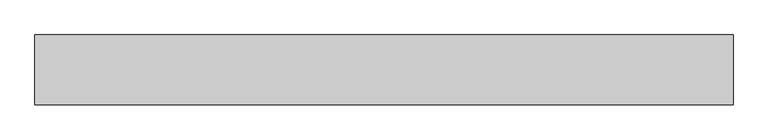
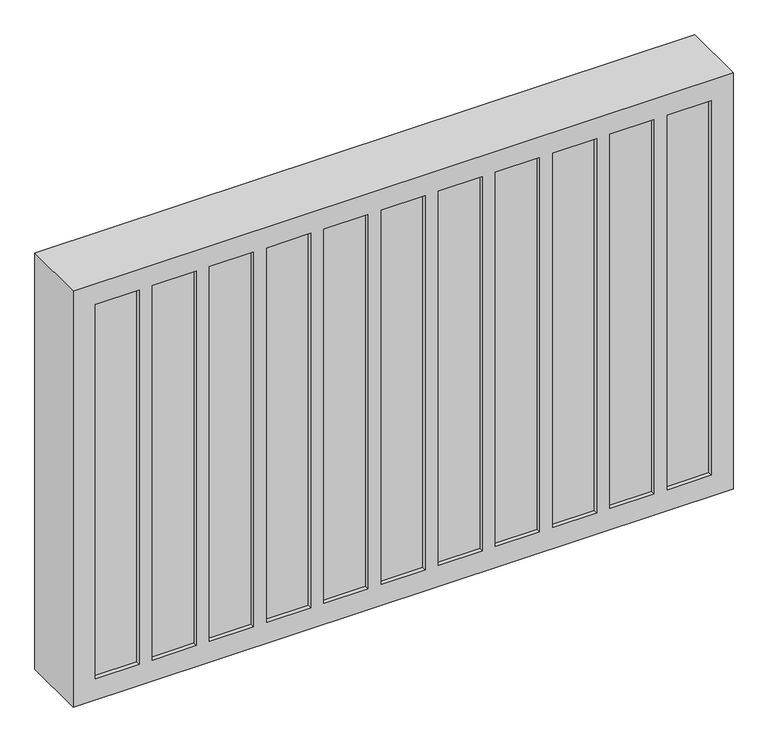
"""IFC4 building model written with IfcOpenShell, lengths in millimetres: proxy geometry."""

from ifc_helpers import new_model, si_unit, origin, place, context, project, spatial, faceted_brep, source, transform, mapped, element, save


def generic_models_2a3f6894(model_context):
    return source(origin(), model_context, "Body", "Brep", [
        faceted_brep([(-1500.0, 0.0, 1000.0), (0.0, 0.0, 1000.0), (0.0, 150.0, 1000.0), (-1500.0, 150.0, 1000.0), (0.0, 0.0, 0.0), (-1500.0, 0.0, 0.0), (-1500.0, 150.0, 0.0), (0.0, 150.0, 0.0), (-1350.0, 0.0, 50.0), (-1450.0, 0.0, 50.0), (-1450.0, 0.0, 950.0), (-1350.0, 0.0, 950.0), (-180.0, 0.0, 50.0), (-280.0, 0.0, 50.0), (-280.0, 0.0, 950.0), (-180.0, 0.0, 950.0), (-310.0, 0.0, 50.0), (-410.0, 0.0, 50.0), (-410.0, 0.0, 950.0), (-310.0, 0.0, 950.0), (-440.0, 0.0, 50.0), (-540.0, 0.0, 50.0), (-540.0, 0.0, 950.0), (-440.0, 0.0, 950.0), (-570.0, 0.0, 50.0), (-670.0, 0.0, 50.0), (-670.0, 0.0, 950.0), (-570.0, 0.0, 950.0), (-700.0, 0.0, 50.0), (-800.0, 0.0, 50.0), (-800.0, 0.0, 950.0), (-700.0, 0.0, 950.0), (-830.0, 0.0, 50.0), (-930.0, 0.0, 50.0), (-930.0, 0.0, 950.0), (-830.0, 0.0, 950.0), (-960.0, 0.0, 50.0), (-1060.0, 0.0, 50.0), (-1060.0, 0.0, 950.0), (-960.0, 0.0, 950.0), (-1090.0, 0.0, 50.0), (-1190.0, 0.0, 50.0), (-1190.0, 0.0, 950.0), (-1090.0, 0.0, 950.0), (-1220.0, 0.0, 50.0), (-1320.0, 0.0, 50.0), (-1320.0, 0.0, 950.0), (-1220.0, 0.0, 950.0), (-50.0, 0.0, 50.0), (-150.0, 0.0, 50.0), (-150.0, 0.0, 950.0), (-50.0, 0.0, 950.0), (-1450.0, 10.0, 50.0), (-1350.0, 10.0, 50.0), (-1350.0, 10.0, 950.0), (-1450.0, 10.0, 950.0), (-280.0, 10.0, 50.0), (-180.0, 10.0, 50.0), (-180.0, 10.0, 950.0), (-280.0, 10.0, 950.0), (-410.0, 10.0, 50.0), (-310.0, 10.0, 50.0), (-310.0, 10.0, 950.0), (-410.0, 10.0, 950.0), (-540.0, 10.0, 50.0), (-440.0, 10.0, 50.0), (-440.0, 10.0, 950.0), (-540.0, 10.0, 950.0), (-670.0, 10.0, 50.0), (-570.0, 10.0, 50.0), (-570.0, 10.0, 950.0), (-670.0, 10.0, 950.0), (-800.0, 10.0, 50.0), (-700.0, 10.0, 50.0), (-700.0, 10.0, 950.0), (-800.0, 10.0, 950.0), (-930.0, 10.0, 50.0), (-830.0, 10.0, 50.0), (-830.0, 10.0, 950.0), (-930.0, 10.0, 950.0), (-1060.0, 10.0, 50.0), (-960.0, 10.0, 50.0), (-960.0, 10.0, 950.0), (-1060.0, 10.0, 950.0), (-1190.0, 10.0, 50.0), (-1090.0, 10.0, 50.0), (-1090.0, 10.0, 950.0), (-1190.0, 10.0, 950.0), (-1320.0, 10.0, 50.0), (-1220.0, 10.0, 50.0), (-1220.0, 10.0, 950.0), (-1320.0, 10.0, 950.0), (-150.0, 10.0, 50.0), (-50.0, 10.0, 50.0), (-50.0, 10.0, 950.0), (-150.0, 10.0, 950.0)], [[[0, 1, 2, 3]], [[4, 5, 6, 7]], [[1, 0, 5, 4], [8, 9, 10, 11], [12, 13, 14, 15], [16, 17, 18, 19], [20, 21, 22, 23], [24, 25, 26, 27], [28, 29, 30, 31], [32, 33, 34, 35], [36, 37, 38, 39], [40, 41, 42, 43], [44, 45, 46, 47], [48, 49, 50, 51]], [[2, 1, 4, 7]], [[3, 2, 7, 6]], [[0, 3, 6, 5]], [[52, 53, 54, 55]], [[53, 52, 9, 8]], [[54, 53, 8, 11]], [[55, 54, 11, 10]], [[52, 55, 10, 9]], [[56, 57, 58, 59]], [[57, 56, 13, 12]], [[58, 57, 12, 15]], [[59, 58, 15, 14]], [[56, 59, 14, 13]], [[60, 61, 62, 63]], [[61, 60, 17, 16]], [[62, 61, 16, 19]], [[63, 62, 19, 18]], [[60, 63, 18, 17]], [[64, 65, 66, 67]], [[65, 64, 21, 20]], [[66, 65, 20, 23]], [[67, 66, 23, 22]], [[64, 67, 22, 21]], [[68, 69, 70, 71]], [[69, 68, 25, 24]], [[70, 69, 24, 27]], [[71, 70, 27, 26]], [[68, 71, 26, 25]], [[72, 73, 74, 75]], [[73, 72, 29, 28]], [[74, 73, 28, 31]], [[75, 74, 31, 30]], [[72, 75, 30, 29]], [[76, 77, 78, 79]], [[77, 76, 33, 32]], [[78, 77, 32, 35]], [[79, 78, 35, 34]], [[76, 79, 34, 33]], [[80, 81, 82, 83]], [[81, 80, 37, 36]], [[82, 81, 36, 39]], [[83, 82, 39, 38]], [[80, 83, 38, 37]], [[84, 85, 86, 87]], [[85, 84, 41, 40]], [[86, 85, 40, 43]], [[87, 86, 43, 42]], [[84, 87, 42, 41]], [[88, 89, 90, 91]], [[89, 88, 45, 44]], [[90, 89, 44, 47]], [[91, 90, 47, 46]], [[88, 91, 46, 45]], [[92, 93, 94, 95]], [[93, 92, 49, 48]], [[94, 93, 48, 51]], [[95, 94, 51, 50]], [[92, 95, 50, 49]]]),
    ])


if __name__ == "__main__":
    model = new_model("IFC4")
    model_context = context("Model", 3, world=origin())
    ifc_project = project(units=[si_unit("LENGTHUNIT", "METRE", prefix="MILLI")], contexts=[model_context])
    site = spatial("IfcSite", under=ifc_project)
    building = spatial("IfcBuilding", under=site)
    placement = place(None, origin())
    generic_models_shape = generic_models_2a3f6894(model_context)
    element("IfcBuildingElementProxy", 1, Name="Generic Models", at=placement, inside=building, context=model_context, shape_type="MappedRepresentation", body=[
        mapped(generic_models_shape, transform((0.0, 0.0, 0.0), x_axis=(1.0, 0.0, 0.0), y_axis=(0.0, 1.0, 0.0), z_axis=(0.0, 0.0, 1.0))),
    ])
    save(model, "model.ifc")
